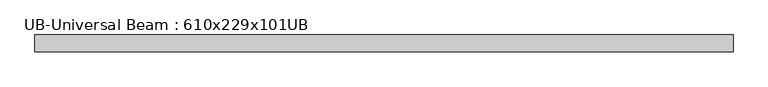
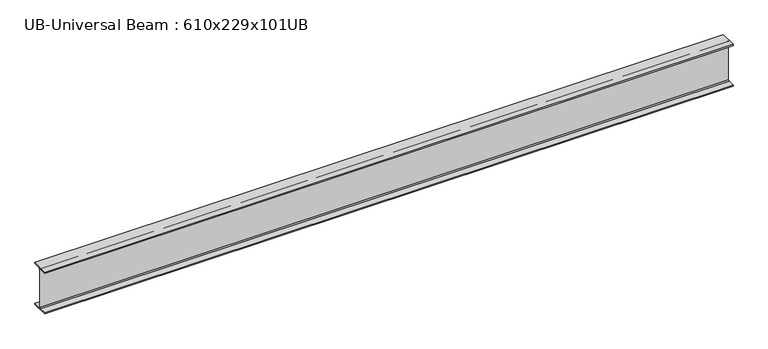
"""IFC4 building model written with IfcOpenShell, lengths in millimetres: beam geometry, UB-Universal Beam : 610x229x101UB."""

from ifc_helpers import new_model, si_unit, point, frame, frame_2d, origin, place, context, project, spatial, polyline, circle_curve, trimmed, segment, composite_curve, outline, extrude, source, transform, mapped, element, save


def ub_universal_beam_610x229x101ub_12102311(model_context):
    return source(origin(), model_context, "Body", "SweptSolid", [
        extrude(outline(composite_curve([segment(polyline([(113.8, -286.5), (113.8, -301.3), (-113.8, -301.3), (-113.8, -286.5), (-17.95, -286.5)]), True, "CONTINUOUS"), segment(trimmed(circle_curve(frame_2d((-17.95, -273.8)), 12.7), [point((-17.95, -286.5))], [point((-5.25, -273.8))], True, "CARTESIAN"), True, "CONTINUOUS"), segment(polyline([(-5.25, -273.8), (-5.25, 273.8)]), True, "CONTINUOUS"), segment(trimmed(circle_curve(frame_2d((-17.95, 273.8)), 12.7), [point((-5.25, 273.8))], [point((-17.95, 286.5))], True, "CARTESIAN"), True, "CONTINUOUS"), segment(polyline([(-17.95, 286.5), (-113.8, 286.5), (-113.8, 301.3), (113.8, 301.3), (113.8, 286.5), (17.95, 286.5)]), True, "CONTINUOUS"), segment(trimmed(circle_curve(frame_2d((17.95, 273.8)), 12.7), [point((17.95, 286.5))], [point((5.25, 273.8))], True, "CARTESIAN"), True, "CONTINUOUS"), segment(polyline([(5.25, 273.8), (5.25, -273.8)]), True, "CONTINUOUS"), segment(trimmed(circle_curve(frame_2d((17.95, -273.8)), 12.7), [point((5.25, -273.8))], [point((17.95, -286.5))], True, "CARTESIAN"), True, "CONTINUOUS"), segment(polyline([(17.95, -286.5), (113.8, -286.5)]), True, "CONTINUOUS")], self_intersect=False)), frame((-4686.0, 0.0, 0.0), z_axis=(1.0, 0.0, 0.0), x_axis=(0.0, 1.0, 0.0)), (0.0, 0.0, 1.0), 9372.0),
    ])


if __name__ == "__main__":
    model = new_model("IFC4")
    model_context = context("Model", 3, world=origin())
    ifc_project = project(units=[si_unit("LENGTHUNIT", "METRE", prefix="MILLI")], contexts=[model_context])
    site = spatial("IfcSite", under=ifc_project)
    building = spatial("IfcBuilding", under=site)
    placement = place(None, origin())
    ub_universal_beam_610x229x101ub_shape = ub_universal_beam_610x229x101ub_12102311(model_context)
    element("IfcBeam", 1, ObjectType="UB-Universal Beam : 610x229x101UB", at=placement, inside=building, context=model_context, shape_type="MappedRepresentation", body=[
        mapped(ub_universal_beam_610x229x101ub_shape, transform((0.0, 0.0, 0.0), x_axis=(1.0, 0.0, 0.0), y_axis=(0.0, 1.0, 0.0), z_axis=(0.0, 0.0, 1.0))),
    ])
    save(model, "model.ifc")
